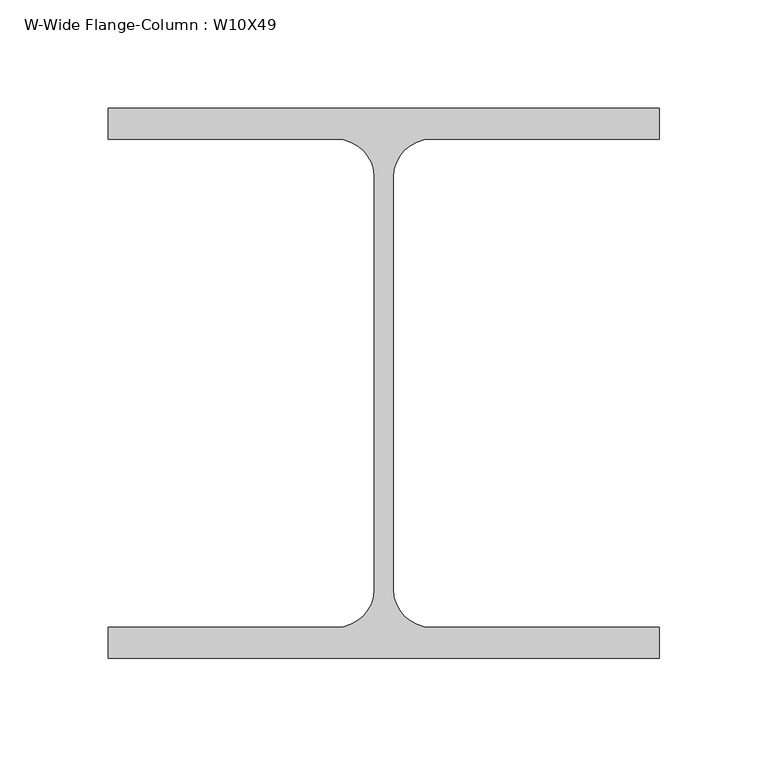
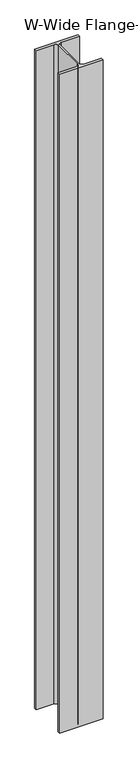
"""IFC4 building model written with IfcOpenShell, lengths in millimetres: column geometry, W-Wide Flange-Column : W10X49."""

from ifc_helpers import new_model, si_unit, point, frame, frame_2d, origin, place, context, project, spatial, polyline, circle_curve, trimmed, segment, composite_curve, outline, extrude, source, transform, mapped, element, save


def w_wide_flange_column_w10x49_444c8794(model_context):
    return source(origin(), model_context, "Body", "SweptSolid", [
        extrude(outline(composite_curve([segment(polyline([(127.0, -126.7519531), (-127.0, -126.7519531), (-127.0, -112.5636719), (-21.8777344, -112.5636719)]), True, "CONTINUOUS"), segment(trimmed(circle_curve(frame_2d((-21.8777344, -95.0019531)), 17.5617188), [point((-21.8777344, -112.5636719))], [point((-4.3160156, -95.0019531))], True, "CARTESIAN"), True, "CONTINUOUS"), segment(polyline([(-4.3160156, -95.0019531), (-4.3160156, 95.0019531)]), True, "CONTINUOUS"), segment(trimmed(circle_curve(frame_2d((-21.8777344, 95.0019531)), 17.5617188), [point((-4.3160156, 95.0019531))], [point((-21.8777344, 112.5636719))], True, "CARTESIAN"), True, "CONTINUOUS"), segment(polyline([(-21.8777344, 112.5636719), (-127.0, 112.5636719), (-127.0, 126.7519531), (127.0, 126.7519531), (127.0, 112.5636719), (21.8777344, 112.5636719)]), True, "CONTINUOUS"), segment(trimmed(circle_curve(frame_2d((21.8777344, 95.0019531)), 17.5617187), [point((21.8777344, 112.5636719))], [point((4.3160156, 95.0019531))], True, "CARTESIAN"), True, "CONTINUOUS"), segment(polyline([(4.3160156, 95.0019531), (4.3160156, -95.0019531)]), True, "CONTINUOUS"), segment(trimmed(circle_curve(frame_2d((21.8777344, -95.0019531)), 17.5617187), [point((4.3160156, -95.0019531))], [point((21.8777344, -112.5636719))], True, "CARTESIAN"), True, "CONTINUOUS"), segment(polyline([(21.8777344, -112.5636719), (127.0, -112.5636719), (127.0, -126.7519531)]), True, "CONTINUOUS")], self_intersect=False)), frame((0.0, 0.0, -127.0), z_axis=(0.0, 0.0, 1.0), x_axis=(1.0, 0.0, 0.0)), (0.0, 0.0, 1.0), 4089.4),
    ])


if __name__ == "__main__":
    model = new_model("IFC4")
    model_context = context("Model", 3, world=origin())
    ifc_project = project(units=[si_unit("LENGTHUNIT", "METRE", prefix="MILLI")], contexts=[model_context])
    site = spatial("IfcSite", under=ifc_project)
    building = spatial("IfcBuilding", under=site)
    placement = place(None, origin())
    w_wide_flange_column_w10x49_shape = w_wide_flange_column_w10x49_444c8794(model_context)
    element("IfcColumn", 1, ObjectType="W-Wide Flange-Column : W10X49", at=placement, inside=building, context=model_context, shape_type="MappedRepresentation", body=[
        mapped(w_wide_flange_column_w10x49_shape, transform((0.0, 0.0, 0.0), x_axis=(1.0, 0.0, 0.0), y_axis=(0.0, 1.0, 0.0), z_axis=(0.0, 0.0, 1.0))),
    ])
    save(model, "model.ifc")
